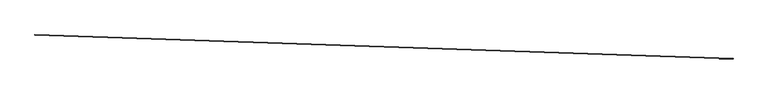
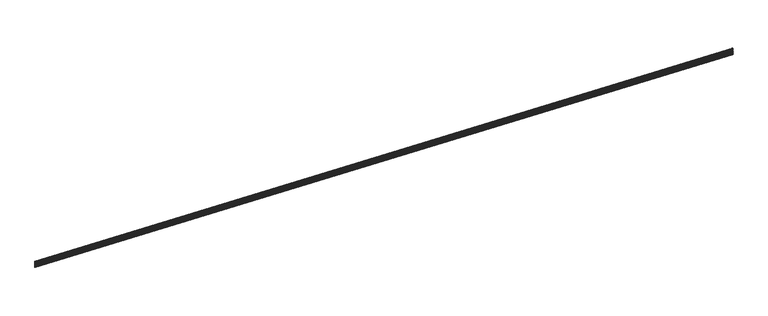
"""IFC4 building model written with IfcOpenShell, lengths in millimetres: proxy geometry."""

from ifc_helpers import new_model, si_unit, frame, origin, place, context, project, spatial, polyline, outline, extrude, source, transform, mapped, element, save


def generic_models_d966b9bb(model_context):
    return source(origin(), model_context, "Body", "SweptSolid", [
        extrude(outline(polyline([(-3.1749993, 0.0), (0.0, 0.0), (0.0, 12.7), (5.4236225, 15.2290767), (5.4236225, 19.6959233), (-1e-07, 22.225), (-1e-07, 31.75), (3.1749999, 31.75), (3.1749999, 24.247698), (9.2139906, 21.4316705), (9.2139906, 13.4933295), (3.175, 10.6773019), (3.175, -3.175), (1e-07, -3.175), (1e-07, -34.13125), (9.5250002, -34.13125), (9.5250002, -37.30625), (3e-07, -37.30625), (3e-07, -59.5312499), (9.5250003, -59.5312499), (9.5250003, -62.70625), (4e-07, -62.70625), (4e-07, -84.9312499), (9.5250004, -84.9312499), (9.5250004, -88.10625), (6e-07, -88.10625), (6e-07, -113.50625), (8.8104391, -113.50625), (8.8104391, -123.03125), (4.9129911, -123.03125), (4.9129911, -116.68125), (7e-07, -116.68125), (7e-07, -133.35), (-3.1749993, -133.35), (-3.1749993, 0.0)])), frame((34377.09634, -14812.3976044, 3325.1824341), z_axis=(-0.9994149475908112, 0.03420179135741461, 0.0), x_axis=(-0.03420179135741461, -0.9994149475908112, 0.0)), (0.0, 0.0, 1.0), 17068.8),
    ])


if __name__ == "__main__":
    model = new_model("IFC4")
    model_context = context("Model", 3, world=origin())
    ifc_project = project(units=[si_unit("LENGTHUNIT", "METRE", prefix="MILLI")], contexts=[model_context])
    site = spatial("IfcSite", under=ifc_project)
    building = spatial("IfcBuilding", under=site)
    placement = place(None, origin())
    generic_models_shape = generic_models_d966b9bb(model_context)
    element("IfcBuildingElementProxy", 1, Name="Generic Models", at=placement, inside=building, context=model_context, shape_type="MappedRepresentation", body=[
        mapped(generic_models_shape, transform((0.0, 0.0, 0.0), x_axis=(1.0, 0.0, 0.0), y_axis=(0.0, 1.0, 0.0), z_axis=(0.0, 0.0, 1.0))),
    ])
    save(model, "model.ifc")
